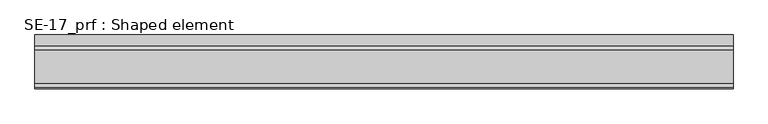
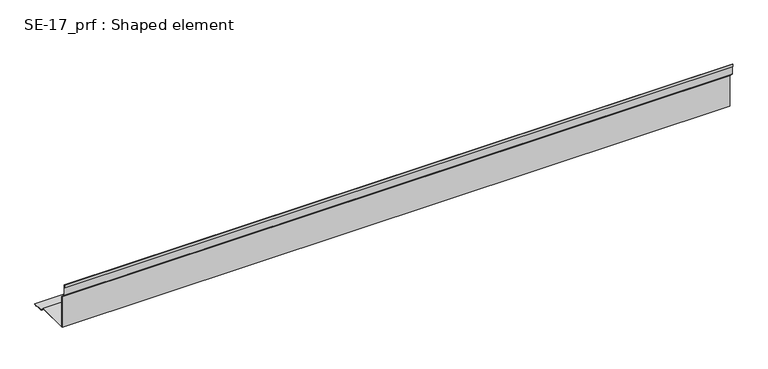
"""IFC4 building model written with IfcOpenShell, lengths in millimetres: proxy geometry, SE-17_prf : Shaped element."""

from ifc_helpers import new_model, si_unit, frame, origin, place, context, project, spatial, polyline, outline, extrude, source, transform, mapped, element, save


def se_17_prf_shaped_element_ae887923(model_context):
    return source(origin(), model_context, "Body", "SweptSolid", [
        extrude(outline(polyline([(-0.1507576, 19.8492424), (119.8492424, 19.8492424), (134.6984848, 5.0), (174.6984848, 5.0), (174.6984848, 2.0), (164.6984848, 2.0), (164.6984848, 3.0), (173.6984848, 3.0), (173.6984848, 4.0), (134.2842712, 4.0), (119.4350288, 18.8492424), (-1.1507576, 18.8492424), (-1.1507576, 139.4350288), (-16.0, 154.2842712), (-16.0, 193.6984848), (-17.0, 193.6984848), (-17.0, 184.6984848), (-18.0, 184.6984848), (-18.0, 194.6984848), (-15.0, 194.6984848), (-15.0, 154.6984848), (-0.1507576, 139.8492424), (-0.1507576, 19.8492424)])), frame((0.0, 0.0, 0.0), z_axis=(1.0, 0.0, 0.0), x_axis=(0.0, 1.0, 0.0)), (0.0, 0.0, 1.0), 2500.0),
    ])


if __name__ == "__main__":
    model = new_model("IFC4")
    model_context = context("Model", 3, world=origin())
    ifc_project = project(units=[si_unit("LENGTHUNIT", "METRE", prefix="MILLI")], contexts=[model_context])
    site = spatial("IfcSite", under=ifc_project)
    building = spatial("IfcBuilding", under=site)
    placement = place(None, origin())
    se_17_prf_shaped_element_shape = se_17_prf_shaped_element_ae887923(model_context)
    element("IfcBuildingElementProxy", 1, Name="SE-17_prf : Shaped element", ObjectType="SE-17_prf : Shaped element", at=placement, inside=building, context=model_context, shape_type="MappedRepresentation", body=[
        mapped(se_17_prf_shaped_element_shape, transform((0.0, 0.0, 0.0), x_axis=(1.0, 0.0, 0.0), y_axis=(0.0, 1.0, 0.0), z_axis=(0.0, 0.0, 1.0))),
    ])
    save(model, "model.ifc")
